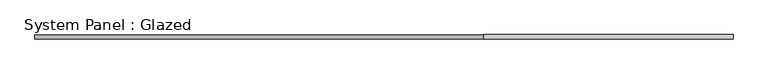
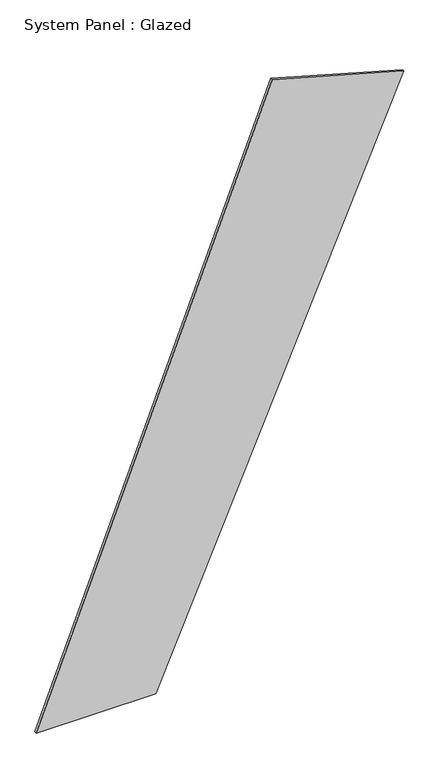
"""IFC4 building model written with IfcOpenShell, lengths in millimetres: plate geometry, System Panel : Glazed."""

from ifc_helpers import new_model, si_unit, frame, origin, place, context, project, spatial, polyline, outline, extrude, source, transform, mapped, element, save


def system_panel_glazed_2720c2ed(model_context):
    return source(origin(), model_context, "Body", "SweptSolid", [
        extrude(outline(polyline([(0.0, -2079.3889832), (0.0, -727.9826104), (6464.2973636, 2079.3889832), (6878.7611417, 590.9790845), (0.0, -2079.3889832)])), frame((0.0, 24.5, 0.0), z_axis=(0.0, 1.0, 0.0), x_axis=(0.0, 0.0, 1.0)), (0.0, 0.0, 1.0), 25.0),
    ])


if __name__ == "__main__":
    model = new_model("IFC4")
    model_context = context("Model", 3, world=origin())
    ifc_project = project(units=[si_unit("LENGTHUNIT", "METRE", prefix="MILLI")], contexts=[model_context])
    site = spatial("IfcSite", under=ifc_project)
    building = spatial("IfcBuilding", under=site)
    placement = place(None, origin())
    system_panel_glazed_shape = system_panel_glazed_2720c2ed(model_context)
    element("IfcPlate", 1, ObjectType="System Panel : Glazed", at=placement, inside=building, context=model_context, shape_type="MappedRepresentation", body=[
        mapped(system_panel_glazed_shape, transform((0.0, 0.0, 0.0), x_axis=(1.0, 0.0, 0.0), y_axis=(0.0, 1.0, 0.0), z_axis=(0.0, 0.0, 1.0))),
    ])
    save(model, "model.ifc")
